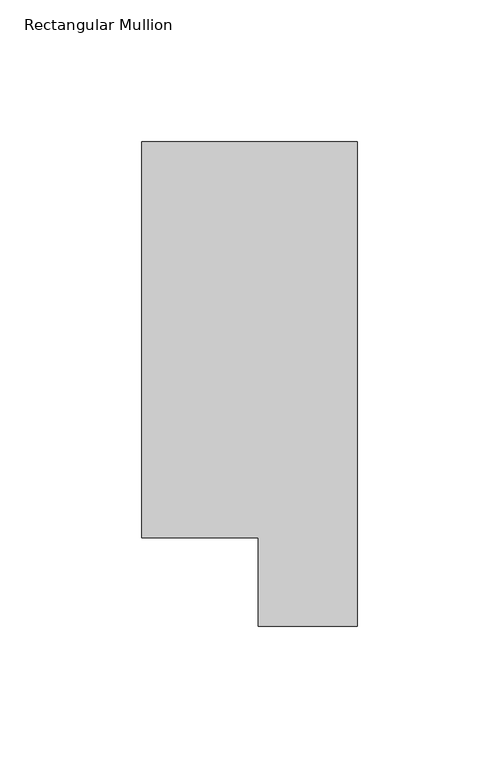
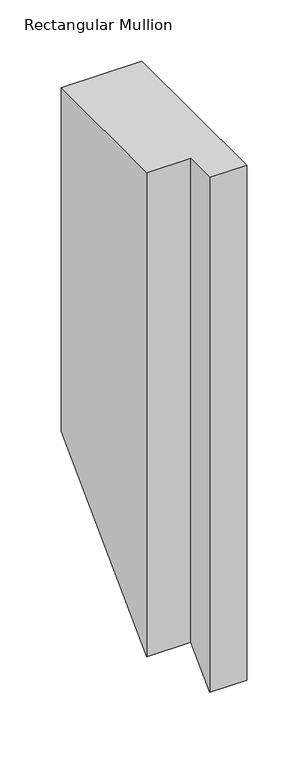
"""IFC4 building model written with IfcOpenShell, lengths in millimetres: member geometry, Rectangular Mullion."""

from ifc_helpers import new_model, si_unit, origin, place, context, project, spatial, faceted_brep, source, transform, mapped, element, save


def rectangular_mullion_a677095f(model_context):
    return source(origin(), model_context, "Body", "Brep", [
        faceted_brep([(-76.2, 190.7881317, 0.0), (-76.2, 50.8087306, 0.0), (-34.9123, 50.8087306, 0.0), (-34.9123, 19.5667317, 0.0), (0.0, 19.5667317, 0.0), (0.0, 190.7881317, 0.0), (-76.2, 190.7881317, -342.5801183), (-76.2, 50.8087306, -482.5595194), (-34.9123, 50.8087306, -482.5595194), (-34.9123, 19.5667317, -513.8015183), (0.0, 19.5667317, -513.8015183), (0.0, 190.7881317, -342.5801183)], [[[0, 1, 2, 3, 4, 5]], [[1, 0, 6, 7]], [[2, 1, 7, 8]], [[3, 2, 8, 9]], [[4, 3, 9, 10]], [[5, 4, 10, 11]], [[0, 5, 11, 6]], [[6, 11, 10, 9, 8, 7]]]),
    ])


if __name__ == "__main__":
    model = new_model("IFC4")
    model_context = context("Model", 3, world=origin())
    ifc_project = project(units=[si_unit("LENGTHUNIT", "METRE", prefix="MILLI")], contexts=[model_context])
    site = spatial("IfcSite", under=ifc_project)
    building = spatial("IfcBuilding", under=site)
    placement = place(None, origin())
    rectangular_mullion_shape = rectangular_mullion_a677095f(model_context)
    element("IfcMember", 1, ObjectType="Rectangular Mullion", at=placement, inside=building, context=model_context, shape_type="MappedRepresentation", body=[
        mapped(rectangular_mullion_shape, transform((0.0, 0.0, 0.0), x_axis=(1.0, 0.0, 0.0), y_axis=(0.0, 1.0, 0.0), z_axis=(0.0, 0.0, 1.0))),
    ])
    save(model, "model.ifc")
